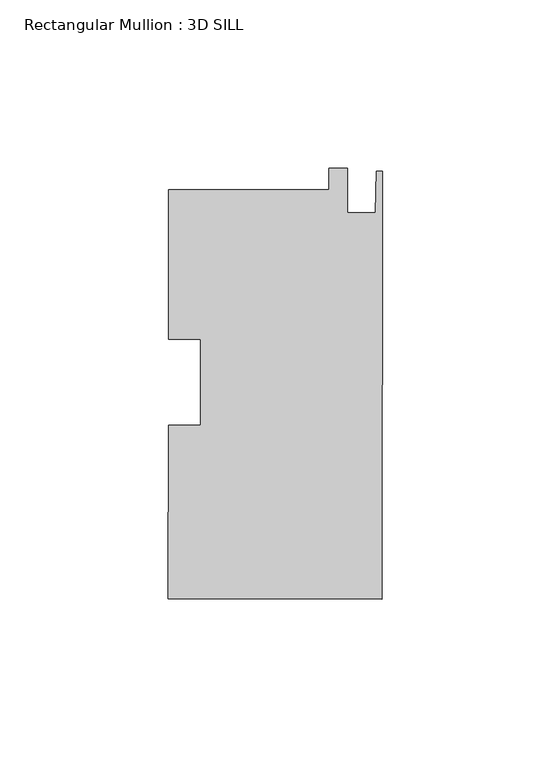
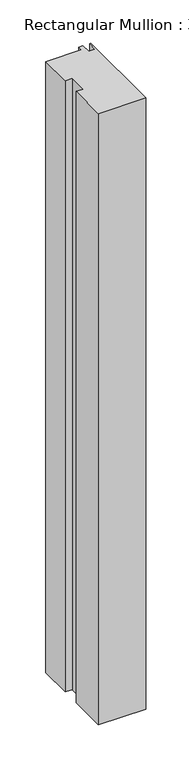
"""IFC4 building model written with IfcOpenShell, lengths in millimetres: member geometry, Rectangular Mullion : 3D SILL."""

from ifc_helpers import new_model, si_unit, frame, origin, place, context, project, spatial, polyline, outline, extrude, source, transform, mapped, element, save


def rectangular_mullion_3d_sill_60d1fc83(model_context):
    return source(origin(), model_context, "Body", "SweptSolid", [
        extrude(outline(polyline([(-15.8785297, 57.0944487), (-15.8744967, 63.4444474), (-10.3118978, 63.4409144), (-10.3202382, 50.3091171), (-2.0398398, 50.303858), (-1.7779996, 62.6480942), (0.0, 62.6469649), (-0.0806567, -64.3465324), (-63.5806439, -64.306202), (-63.5479185, -12.7802285), (-54.0229204, -12.7862781), (-54.0067326, 12.7014151), (-63.5317306, 12.7074647), (-63.5035201, 57.1246965), (-15.8785297, 57.0944487)])), frame((0.0, 0.0, -865.4875586), z_axis=(0.0, 0.0, 1.0), x_axis=(1.0, 0.0, 0.0)), (0.0, 0.0, 1.0), 865.4875586),
    ])


if __name__ == "__main__":
    model = new_model("IFC4")
    model_context = context("Model", 3, world=origin())
    ifc_project = project(units=[si_unit("LENGTHUNIT", "METRE", prefix="MILLI")], contexts=[model_context])
    site = spatial("IfcSite", under=ifc_project)
    building = spatial("IfcBuilding", under=site)
    placement = place(None, origin())
    rectangular_mullion_3d_sill_shape = rectangular_mullion_3d_sill_60d1fc83(model_context)
    element("IfcMember", 1, ObjectType="Rectangular Mullion : 3D SILL", at=placement, inside=building, context=model_context, shape_type="MappedRepresentation", body=[
        mapped(rectangular_mullion_3d_sill_shape, transform((0.0, 0.0, 0.0), x_axis=(1.0, 0.0, 0.0), y_axis=(0.0, 1.0, 0.0), z_axis=(0.0, 0.0, 1.0))),
    ])
    save(model, "model.ifc")
